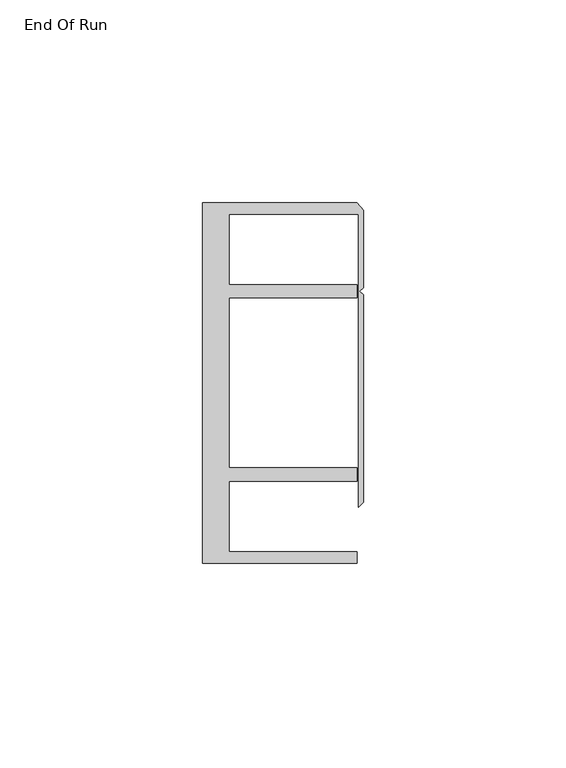
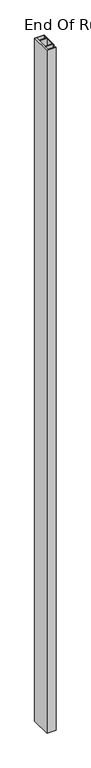
"""IFC4 building model written with IfcOpenShell, lengths in millimetres: furniture geometry, End Of Run."""

import ifcopenshell
import ifcopenshell.guid

model = None  # the IFC model being written
_history = None  # IfcOwnerHistory: only IFC2X3 demands one
_inside = {}  # id of a spatial element -> (the spatial element, [elements in it])
_under = {}  # id of a project, library or spatial element -> (it, [spatial elements below it])
_declared = {}  # id of a project -> (the project, [libraries it declares])
_typed = {}  # id of a type object -> (the type object, [elements of that type])
_made_of = {}  # id of a material, layer set ... -> (it, [elements and type objects made of it])


def new_model(schema):
    """Start an empty IFC model of exactly this schema.

    Asked for "IFC4X3", IfcOpenShell would pick the latest addendum, in which some entities
    have other attributes; the version numbers below select the first issue.
    IFC2X3 requires an IfcOwnerHistory on every rooted entity: one is made here for all.
    """
    global model, _history
    if schema == "IFC4X3":
        model = ifcopenshell.file(schema_version=(4, 3, 0, 0))
    else:
        model = ifcopenshell.file(schema=schema)
    _inside.clear()
    _under.clear()
    _declared.clear()
    _typed.clear()
    _made_of.clear()
    _history = None
    if model.schema == "IFC2X3":
        org = make("IfcOrganization", Name="unknown")
        user = make(
            "IfcPersonAndOrganization",
            ThePerson=make("IfcPerson", FamilyName="unknown"),
            TheOrganization=org,
        )
        app = make(
            "IfcApplication",
            ApplicationDeveloper=org,
            Version="unknown",
            ApplicationFullName="unknown",
            ApplicationIdentifier="unknown",
        )
        _history = make(
            "IfcOwnerHistory",
            OwningUser=user,
            OwningApplication=app,
            ChangeAction="ADDED",
            CreationDate=0,
        )
    return model


def make(cls, **values):
    """One entity of the class cls with the attributes given. An attribute that is None is left unset."""
    return model.create_entity(
        cls, **{name: value for name, value in values.items() if value is not None}
    )


def rooted(cls, **values):
    """An entity with a GlobalId (a new one), such as an element, a storey or a relation."""
    return make(cls, GlobalId=ifcopenshell.guid.new(), OwnerHistory=_history, **values)


def si_unit(unit_type, name, prefix=None):
    """IfcSIUnit, for example si_unit("LENGTHUNIT", "METRE", prefix="MILLI")."""
    return make("IfcSIUnit", UnitType=unit_type, Prefix=prefix, Name=name)


def assignment(units):
    """IfcUnitAssignment: the units of a project."""
    return None if units is None else make("IfcUnitAssignment", Units=units)


def point(xyz):
    """IfcCartesianPoint."""
    return None if xyz is None else make("IfcCartesianPoint", Coordinates=xyz)


def direction(xyz):
    """IfcDirection."""
    return None if xyz is None else make("IfcDirection", DirectionRatios=xyz)


def frame(location, z_axis=None, x_axis=None):
    """IfcAxis2Placement3D, a coordinate frame: its origin and axes. An axis left out is left unset."""
    return make(
        "IfcAxis2Placement3D",
        Location=point(location),
        Axis=direction(z_axis),
        RefDirection=direction(x_axis),
    )


def origin():
    """The frame at (0, 0, 0) with its axes left unset."""
    return frame((0.0, 0.0, 0.0))


def origin_with_axes():
    """The frame at (0, 0, 0) with the z axis (0, 0, 1) and the x axis (1, 0, 0) written out."""
    return frame((0.0, 0.0, 0.0), z_axis=(0.0, 0.0, 1.0), x_axis=(1.0, 0.0, 0.0))


def place(relative_to, where):
    """IfcLocalPlacement: puts the frame where relative to a parent placement (None: the world)."""
    return make(
        "IfcLocalPlacement", PlacementRelTo=relative_to, RelativePlacement=where
    )


def context(
    kind, dimensions, precision=None, world=None, true_north=None, identifier=None
):
    """IfcGeometricRepresentationContext, for example the 3D "Model" context."""
    return make(
        "IfcGeometricRepresentationContext",
        ContextIdentifier=identifier,
        ContextType=kind,
        CoordinateSpaceDimension=dimensions,
        Precision=precision,
        WorldCoordinateSystem=world,
        TrueNorth=true_north,
    )


def project(units=None, contexts=None):
    """IfcProject with its units and contexts."""
    return rooted(
        "IfcProject",
        Name="project",
        RepresentationContexts=contexts,
        UnitsInContext=assignment(units),
    )


def spatial(cls, under=None, at=None, **own):
    """A site, building, storey or space (cls), placed at a placement, below another one or the project."""
    s = rooted(cls, ObjectPlacement=at, **own)
    if under is not None:
        _under.setdefault(under.id(), (under, []))[1].append(s)
    return s


def polyline(points):
    """IfcPolyline through the points."""
    return make("IfcPolyline", Points=[point(p) for p in points])


def outline(outer, holes=None, kind="AREA"):
    """IfcArbitraryClosedProfileDef: a profile drawn as a closed curve; with holes, ...WithVoids."""
    if holes is None:
        return make("IfcArbitraryClosedProfileDef", ProfileType=kind, OuterCurve=outer)
    return make(
        "IfcArbitraryProfileDefWithVoids",
        ProfileType=kind,
        OuterCurve=outer,
        InnerCurves=holes,
    )


def extrude(swept, where, along, depth):
    """IfcExtrudedAreaSolid: the profile swept, set in the frame where, extruded along a direction by depth."""
    return make(
        "IfcExtrudedAreaSolid",
        SweptArea=swept,
        Position=where,
        ExtrudedDirection=direction(along),
        Depth=depth,
    )


def shape(context_of_items, identifier, shape_type, items):
    """IfcShapeRepresentation: the items that make up one representation, for example the "Body"."""
    return make(
        "IfcShapeRepresentation",
        ContextOfItems=context_of_items,
        RepresentationIdentifier=identifier,
        RepresentationType=shape_type,
        Items=items,
    )


def source(mapping_origin, context_of_items, identifier, shape_type, items):
    """IfcRepresentationMap: a shape defined once, which mapped items show again and again."""
    return make(
        "IfcRepresentationMap",
        MappingOrigin=mapping_origin,
        MappedRepresentation=shape(context_of_items, identifier, shape_type, items),
    )


def transform(
    local_origin,
    x_axis=None,
    y_axis=None,
    z_axis=None,
    scale=None,
    scale2=None,
    scale3=None,
    uniform=True,
):
    """IfcCartesianTransformationOperator3D, or its non-uniform kind. x_axis, y_axis, z_axis: its Axis1, 2, 3."""
    if uniform:
        return make(
            "IfcCartesianTransformationOperator3D",
            Axis1=direction(x_axis),
            Axis2=direction(y_axis),
            LocalOrigin=point(local_origin),
            Scale=scale,
            Axis3=direction(z_axis),
        )
    return make(
        "IfcCartesianTransformationOperator3DnonUniform",
        Axis1=direction(x_axis),
        Axis2=direction(y_axis),
        LocalOrigin=point(local_origin),
        Scale=scale,
        Axis3=direction(z_axis),
        Scale2=scale2,
        Scale3=scale3,
    )


def mapped(mapping_source, mapping_target):
    """IfcMappedItem: shows the shape of a source again, moved by a transform."""
    return make(
        "IfcMappedItem", MappingSource=mapping_source, MappingTarget=mapping_target
    )


def made_of(thing, what):
    """Note that an element or type object is made of a material, layer set ...; save() writes the relation."""
    if what is not None:
        _made_of.setdefault(what.id(), (what, []))[1].append(thing)
    return thing


def element(
    cls,
    number,
    at=None,
    inside=None,
    cuts=None,
    type_object=None,
    material=None,
    context=None,
    identifier="Body",
    shape_type=None,
    held_by="IfcProductDefinitionShape",
    body=None,
    shapes=None,
    **own,
):
    """One element of the class cls, such as IfcWall. Its Tag is "e" and its number.

    at: its placement. inside: the storey or other place that contains it. cuts: it is an
    opening in that element (IfcRelVoidsElement). A single representation is given by context,
    identifier, shape_type and body (its items); several are given by shapes. held_by: the class
    of the entity that holds the representations. save() writes the other relations.
    """
    e = rooted(cls, Tag="e%d" % number, ObjectPlacement=at, **own)
    if body is not None:
        shapes = [shape(context, identifier, shape_type, body)]
    if shapes is not None:
        e.Representation = make(held_by, Representations=shapes)
    if inside is not None:
        _inside.setdefault(inside.id(), (inside, []))[1].append(e)
    if cuts is not None:
        rooted(
            "IfcRelVoidsElement", RelatingBuildingElement=cuts, RelatedOpeningElement=e
        )
    if type_object is not None:
        _typed.setdefault(type_object.id(), (type_object, []))[1].append(e)
    return made_of(e, material)


def aggregate(whole, parts):
    """IfcRelAggregates: a whole, such as a stair, and the parts it consists of."""
    return rooted("IfcRelAggregates", RelatingObject=whole, RelatedObjects=parts)


def save(model, path):
    """Write the relations noted so far, then the file.

    IfcRelAggregates (storeys below a building ...), IfcRelContainedInSpatialStructure (elements
    in a storey), IfcRelDefinesByType, IfcRelAssociatesMaterial and IfcRelDeclares: one each for
    every whole, place, type object, material and project.
    """
    for whole, parts in _under.values():
        aggregate(whole, parts)
    for where, things in _inside.values():
        rooted(
            "IfcRelContainedInSpatialStructure",
            RelatedElements=things,
            RelatingStructure=where,
        )
    for kind, things in _typed.values():
        rooted("IfcRelDefinesByType", RelatedObjects=things, RelatingType=kind)
    for what, things in _made_of.values():
        rooted("IfcRelAssociatesMaterial", RelatedObjects=things, RelatingMaterial=what)
    for by, libraries in _declared.values():
        rooted("IfcRelDeclares", RelatingContext=by, RelatedDefinitions=libraries)
    model.write(path)


def end_of_run_a187f8fa(model_context):
    return source(origin(), model_context, "Body", "SweptSolid", [
        extrude(outline(polyline([(29.9771531, 59.951805), (68.0771531, 59.951805), (69.6646531, 58.0797005), (69.6646531, 39.033865), (68.7563205, 38.1255324), (69.6646531, 37.2171998), (69.6646531, -13.9690637), (68.5195633, -15.1141535), (68.5195633, 57.1518064), (36.5771534, 57.1518064), (36.5771534, 39.7518058), (68.0771531, 39.7518058), (68.0771531, 36.4518057), (36.5771534, 36.4518057), (36.5771534, -5.4481956), (68.0771531, -5.4481956), (68.0771531, -8.7481957), (36.5771534, -8.7481957), (36.5771534, -26.1481963), (68.0771531, -26.1481963), (68.0771531, -28.948195), (29.9771531, -28.948195), (29.9771531, 59.951805)])), origin_with_axes(), (0.0, 0.0, 1.0), 3048.0),
    ])


if __name__ == "__main__":
    model = new_model("IFC4")
    model_context = context("Model", 3, world=origin())
    ifc_project = project(units=[si_unit("LENGTHUNIT", "METRE", prefix="MILLI")], contexts=[model_context])
    site = spatial("IfcSite", under=ifc_project)
    building = spatial("IfcBuilding", under=site)
    placement = place(None, origin())
    end_of_run_shape = end_of_run_a187f8fa(model_context)
    element("IfcFurniture", 1, ObjectType="End Of Run", at=placement, inside=building, context=model_context, shape_type="MappedRepresentation", body=[
        mapped(end_of_run_shape, transform((0.0, 0.0, 0.0), x_axis=(1.0, 0.0, 0.0), y_axis=(0.0, 1.0, 0.0), z_axis=(0.0, 0.0, 1.0))),
    ])
    save(model, "model.ifc")
